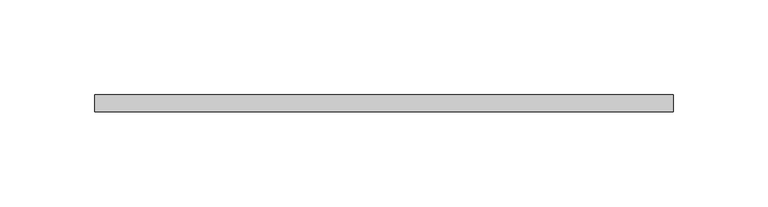
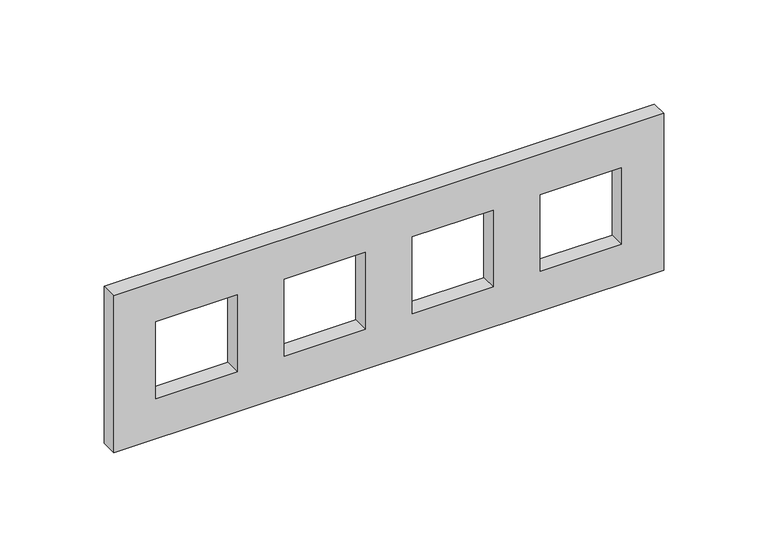
"""IFC4 building model written with IfcOpenShell, lengths in millimetres: proxy geometry."""

from ifc_helpers import new_model, si_unit, frame, origin, place, context, project, spatial, polyline, outline, extrude, source, transform, mapped, element, save


def electrical_fixtures_78300048(model_context):
    return source(origin(), model_context, "Body", "SweptSolid", [
        extrude(outline(polyline([(46.0, 152.5), (46.0, -152.5), (-46.0, -152.5), (-46.0, 152.5), (46.0, 152.5)]), holes=[polyline([(22.5, -84.0), (-22.5, -84.0), (-22.5, -129.0), (22.5, -129.0), (22.5, -84.0)]), polyline([(22.5, -13.0), (-22.5, -13.0), (-22.5, -58.0), (22.5, -58.0), (22.5, -13.0)]), polyline([(22.5, 58.0), (-22.5, 58.0), (-22.5, 13.0), (22.5, 13.0), (22.5, 58.0)]), polyline([(22.5, 129.0), (-22.5, 129.0), (-22.5, 84.0), (22.5, 84.0), (22.5, 129.0)])]), frame((0.0, 0.0, 0.0), z_axis=(0.0, 1.0, 0.0), x_axis=(0.0, 0.0, 1.0)), (0.0, 0.0, 1.0), 9.0),
    ])


if __name__ == "__main__":
    model = new_model("IFC4")
    model_context = context("Model", 3, world=origin())
    ifc_project = project(units=[si_unit("LENGTHUNIT", "METRE", prefix="MILLI")], contexts=[model_context])
    site = spatial("IfcSite", under=ifc_project)
    building = spatial("IfcBuilding", under=site)
    placement = place(None, origin())
    electrical_fixtures_shape = electrical_fixtures_78300048(model_context)
    element("IfcBuildingElementProxy", 1, Name="Electrical Fixtures", at=placement, inside=building, context=model_context, shape_type="MappedRepresentation", body=[
        mapped(electrical_fixtures_shape, transform((0.0, 0.0, 0.0), x_axis=(1.0, 0.0, 0.0), y_axis=(0.0, 1.0, 0.0), z_axis=(0.0, 0.0, 1.0))),
    ])
    save(model, "model.ifc")
